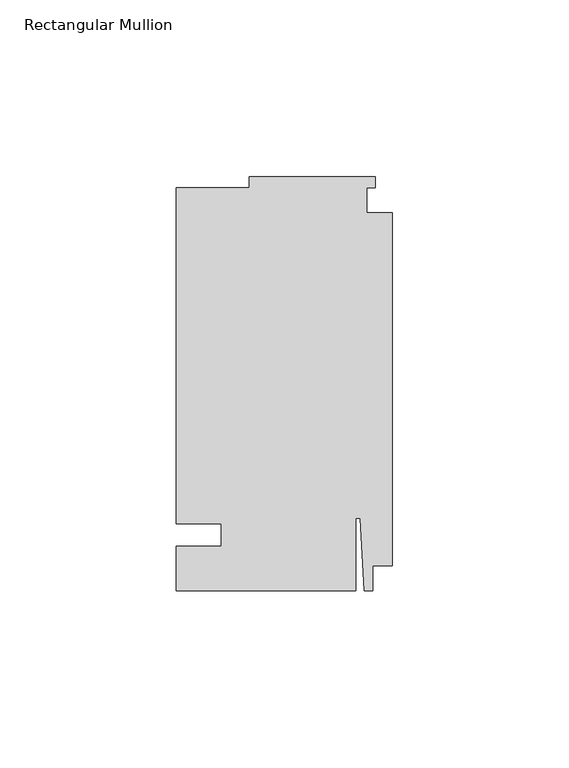
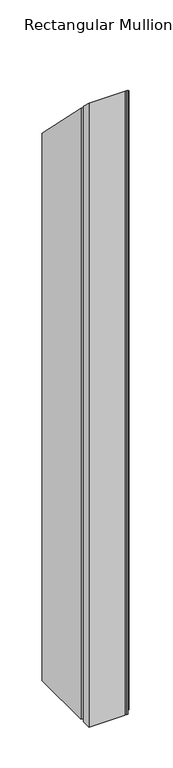
"""IFC4 building model written with IfcOpenShell, lengths in millimetres: member geometry, Rectangular Mullion."""

from ifc_helpers import new_model, si_unit, origin, place, context, project, spatial, faceted_brep, source, transform, mapped, element, save


def rectangular_mullion_01601389(model_context):
    return source(origin(), model_context, "Body", "Brep", [
        faceted_brep([(-48.41875, 3.175, -914.4), (-61.11875, 3.175, -914.4), (-61.11875, 98.425, -914.4), (-40.48125, 98.425, -914.4), (-40.48125, 101.6, -914.4), (-4.7625, 101.6, -914.4), (-4.7625, 98.425, -914.4), (-7.14375, 98.425, -914.4), (-7.14375, 91.28125, -914.4), (0.0, 91.28125, -914.4), (0.0, -8.73125, -914.4), (-5.55625, -8.73125, -914.4), (-5.55625, -15.875, -914.4), (-7.9375, -15.875, -914.4), (-9.0190655, 4.7625, -914.4), (-10.31875, 4.7625, -914.4), (-10.31875, -15.875, -914.4), (-61.11875, -15.875, -914.4), (-61.11875, -3.175, -914.4), (-48.41875, -3.175, -914.4), (-48.41875, -3.175, 3.175), (-48.41875, 3.175, -3.175), (-61.11875, -3.175, 3.175), (-61.11875, -15.875, 15.875), (-10.31875, -15.875, 15.875), (-10.31875, 4.7625, -4.7625), (-9.0190655, 4.7625, -4.7625), (-7.9375, -15.875, 15.875), (-5.55625, -15.875, 15.875), (-5.55625, -8.73125, 8.73125), (0.0, -8.73125, 8.73125), (0.0, 91.28125, -91.28125), (-7.14375, 91.28125, -91.28125), (-7.14375, 98.425, -98.425), (-4.7625, 98.425, -98.425), (-4.7625, 101.6, -101.6), (-40.48125, 101.6, -101.6), (-40.48125, 98.425, -98.425), (-61.11875, 98.425, -98.425), (-61.11875, 3.175, -3.175)], [[[0, 1, 2, 3, 4, 5, 6, 7, 8, 9, 10, 11, 12, 13, 14, 15, 16, 17, 18, 19]], [[20, 21, 0, 19]], [[22, 20, 19, 18]], [[23, 22, 18, 17]], [[24, 23, 17, 16]], [[25, 24, 16, 15]], [[26, 25, 15, 14]], [[27, 26, 14, 13]], [[28, 27, 13, 12]], [[29, 28, 12, 11]], [[30, 29, 11, 10]], [[31, 30, 10, 9]], [[32, 31, 9, 8]], [[33, 32, 8, 7]], [[34, 33, 7, 6]], [[35, 34, 6, 5]], [[36, 35, 5, 4]], [[37, 36, 4, 3]], [[38, 37, 3, 2]], [[39, 38, 2, 1]], [[21, 39, 1, 0]], [[21, 20, 22, 23, 24, 25, 26, 27, 28, 29, 30, 31, 32, 33, 34, 35, 36, 37, 38, 39]]]),
    ])


if __name__ == "__main__":
    model = new_model("IFC4")
    model_context = context("Model", 3, world=origin())
    ifc_project = project(units=[si_unit("LENGTHUNIT", "METRE", prefix="MILLI")], contexts=[model_context])
    site = spatial("IfcSite", under=ifc_project)
    building = spatial("IfcBuilding", under=site)
    placement = place(None, origin())
    rectangular_mullion_shape = rectangular_mullion_01601389(model_context)
    element("IfcMember", 1, ObjectType="Rectangular Mullion", at=placement, inside=building, context=model_context, shape_type="MappedRepresentation", body=[
        mapped(rectangular_mullion_shape, transform((0.0, 0.0, 0.0), x_axis=(1.0, 0.0, 0.0), y_axis=(0.0, 1.0, 0.0), z_axis=(0.0, 0.0, 1.0))),
    ])
    save(model, "model.ifc")
